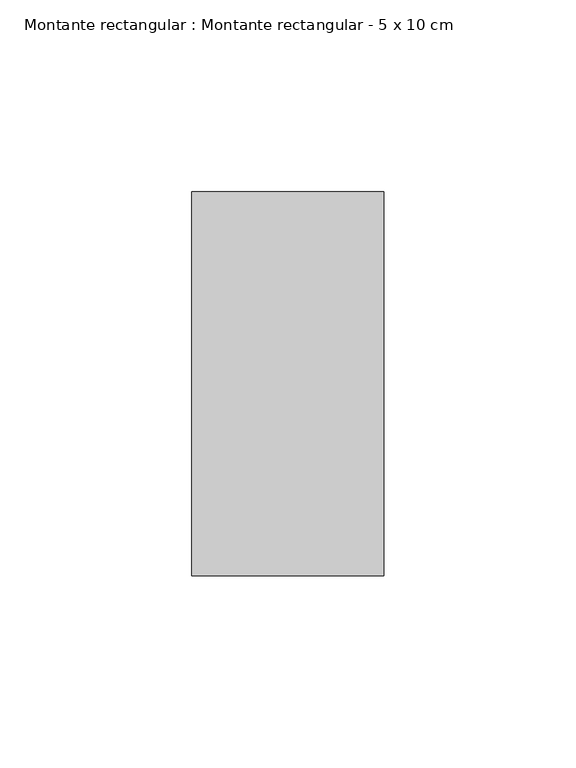
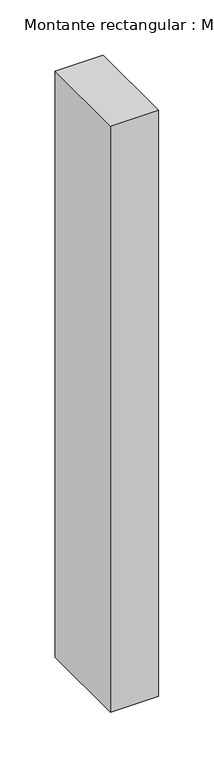
"""IFC4 building model written with IfcOpenShell, lengths in millimetres: member geometry, Montante rectangular : Montante rectangular - 5 x 10 cm."""

from ifc_helpers import new_model, si_unit, frame, origin, place, context, project, spatial, polyline, outline, extrude, source, transform, mapped, element, save


def montante_rectangular_montante_rectangular_5_x_10_cm_de9cdd38(model_context):
    return source(origin(), model_context, "Body", "SweptSolid", [
        extrude(outline(polyline([(-50.0, 50.0), (0.0, 50.0), (0.0, -50.0), (-50.0, -50.0), (-50.0, 50.0)])), frame((0.0, 0.0, -646.0), z_axis=(0.0, 0.0, 1.0), x_axis=(1.0, 0.0, 0.0)), (0.0, 0.0, 1.0), 646.0),
    ])


if __name__ == "__main__":
    model = new_model("IFC4")
    model_context = context("Model", 3, world=origin())
    ifc_project = project(units=[si_unit("LENGTHUNIT", "METRE", prefix="MILLI")], contexts=[model_context])
    site = spatial("IfcSite", under=ifc_project)
    building = spatial("IfcBuilding", under=site)
    placement = place(None, origin())
    montante_rectangular_montante_rectangular_5_x_10_cm_shape = montante_rectangular_montante_rectangular_5_x_10_cm_de9cdd38(model_context)
    element("IfcMember", 1, ObjectType="Montante rectangular : Montante rectangular - 5 x 10 cm", at=placement, inside=building, context=model_context, shape_type="MappedRepresentation", body=[
        mapped(montante_rectangular_montante_rectangular_5_x_10_cm_shape, transform((0.0, 0.0, 0.0), x_axis=(1.0, 0.0, 0.0), y_axis=(0.0, 1.0, 0.0), z_axis=(0.0, 0.0, 1.0))),
    ])
    save(model, "model.ifc")
